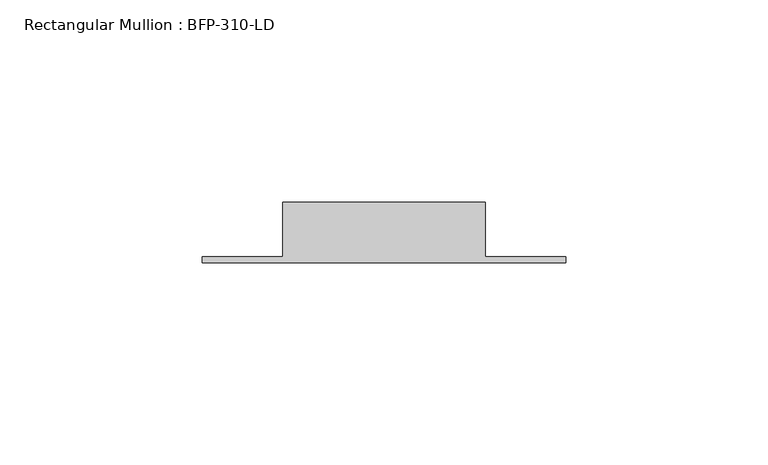
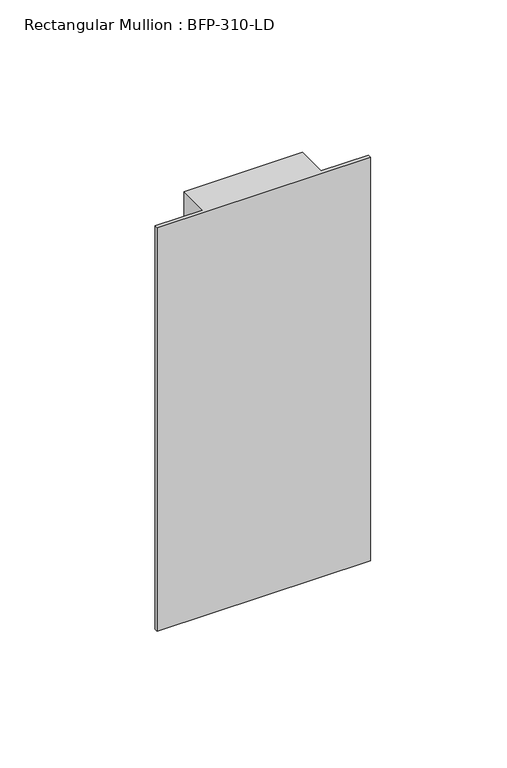
"""IFC4 building model written with IfcOpenShell, lengths in millimetres: member geometry, Rectangular Mullion : BFP-310-LD."""

from ifc_helpers import new_model, si_unit, frame, origin, place, context, project, spatial, polyline, outline, extrude, source, transform, mapped, element, save


def rectangular_mullion_bfp_310_ld_81dbab9f(model_context):
    return source(origin(), model_context, "Body", "SweptSolid", [
        extrude(outline(polyline([(-20.0, 17.0), (-20.0, 3.5), (0.0, 3.5), (0.0, 2.0), (-90.0, 2.0), (-90.0, 3.5), (-70.0, 3.5), (-70.0, 17.0), (-20.0, 17.0)])), frame((0.0, 0.0, -180.0), z_axis=(0.0, 0.0, 1.0), x_axis=(1.0, 0.0, 0.0)), (0.0, 0.0, 1.0), 180.0),
    ])


if __name__ == "__main__":
    model = new_model("IFC4")
    model_context = context("Model", 3, world=origin())
    ifc_project = project(units=[si_unit("LENGTHUNIT", "METRE", prefix="MILLI")], contexts=[model_context])
    site = spatial("IfcSite", under=ifc_project)
    building = spatial("IfcBuilding", under=site)
    placement = place(None, origin())
    rectangular_mullion_bfp_310_ld_shape = rectangular_mullion_bfp_310_ld_81dbab9f(model_context)
    element("IfcMember", 1, ObjectType="Rectangular Mullion : BFP-310-LD", at=placement, inside=building, context=model_context, shape_type="MappedRepresentation", body=[
        mapped(rectangular_mullion_bfp_310_ld_shape, transform((0.0, 0.0, 0.0), x_axis=(1.0, 0.0, 0.0), y_axis=(0.0, 1.0, 0.0), z_axis=(0.0, 0.0, 1.0))),
    ])
    save(model, "model.ifc")
